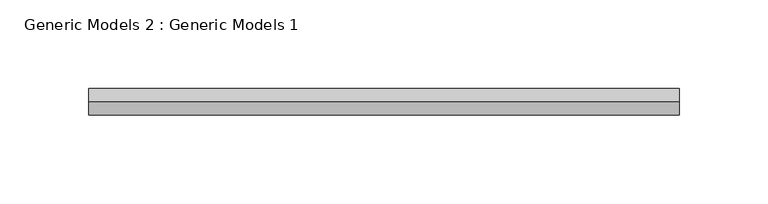
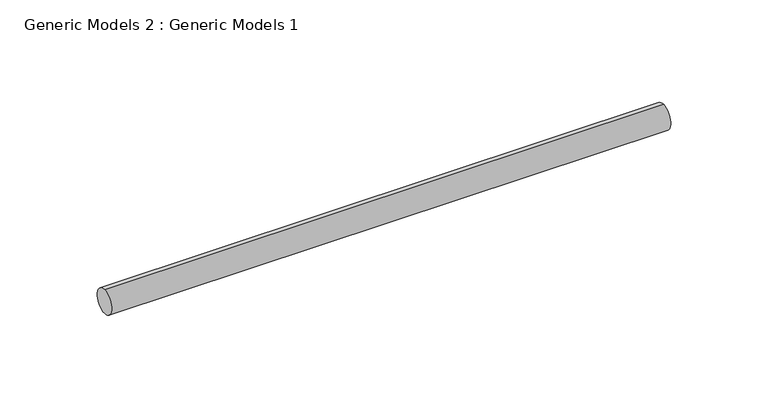
"""IFC4 building model written with IfcOpenShell, lengths in millimetres: proxy geometry, Generic Models 2 : Generic Models 1."""

from ifc_helpers import new_model, si_unit, point, frame, frame_2d, origin, place, context, project, spatial, circle_curve, trimmed, segment, composite_curve, outline, extrude, source, transform, mapped, element, save


def generic_models_2_generic_models_1_b11eee9a(model_context):
    return source(origin(), model_context, "Body", "SweptSolid", [
        extrude(outline(composite_curve([segment(trimmed(circle_curve(frame_2d((400.3057469, -818.1141294)), 7.5), [point((400.3057469, -825.6141294))], [point((400.3057469, -810.6141294))], False, "CARTESIAN"), True, "CONTINUOUS"), segment(trimmed(circle_curve(frame_2d((400.3057469, -818.1141294)), 7.5), [point((400.3057469, -810.6141294))], [point((400.3057469, -825.6141294))], False, "CARTESIAN"), True, "CONTINUOUS")], self_intersect=False)), frame((1721.0795255, 0.0, 0.0), z_axis=(1.0, 0.0, 0.0), x_axis=(0.0, 1.0, 0.0)), (0.0, 0.0, 1.0), 332.0),
    ])


if __name__ == "__main__":
    model = new_model("IFC4")
    model_context = context("Model", 3, world=origin())
    ifc_project = project(units=[si_unit("LENGTHUNIT", "METRE", prefix="MILLI")], contexts=[model_context])
    site = spatial("IfcSite", under=ifc_project)
    building = spatial("IfcBuilding", under=site)
    placement = place(None, origin())
    generic_models_2_generic_models_1_shape = generic_models_2_generic_models_1_b11eee9a(model_context)
    element("IfcBuildingElementProxy", 1, Name="Generic Models 2 : Generic Models 1", ObjectType="Generic Models 2 : Generic Models 1", at=placement, inside=building, context=model_context, shape_type="MappedRepresentation", body=[
        mapped(generic_models_2_generic_models_1_shape, transform((0.0, 0.0, 0.0), x_axis=(1.0, 0.0, 0.0), y_axis=(0.0, 1.0, 0.0), z_axis=(0.0, 0.0, 1.0))),
    ])
    save(model, "model.ifc")
